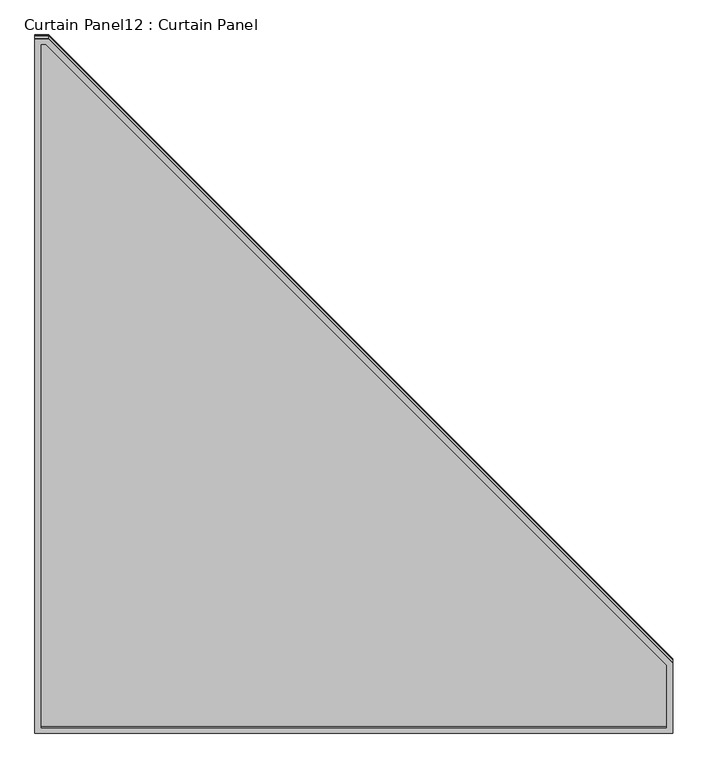
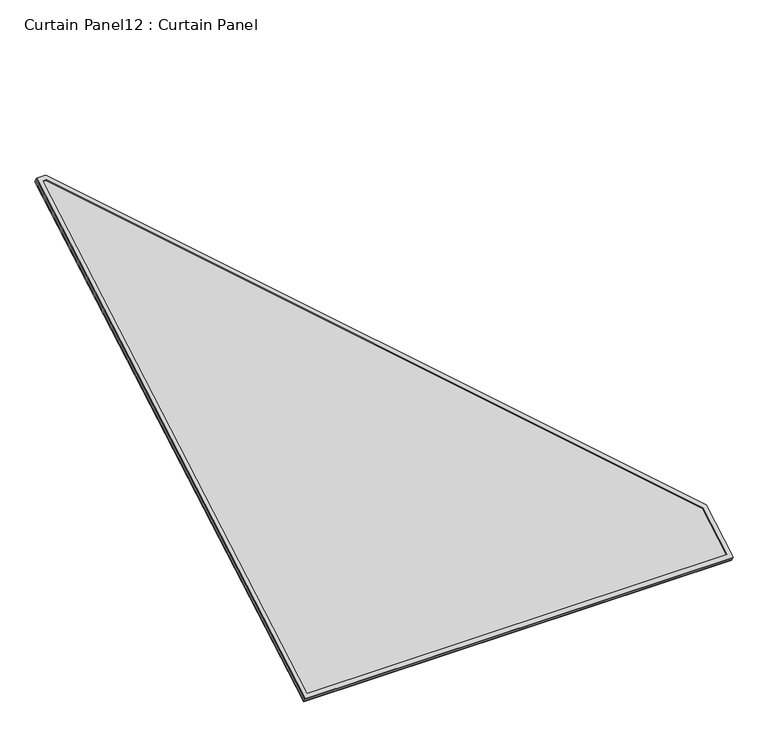
"""IFC4 building model written with IfcOpenShell, lengths in millimetres: plate geometry, Curtain Panel12 : Curtain Panel."""

from ifc_helpers import new_model, si_unit, frame, origin, place, context, project, spatial, polyline, outline, extrude, source, transform, mapped, element, save


def curtain_panel12_curtain_panel_6b2177ee(model_context):
    return source(origin(), model_context, "Body", "SweptSolid", [
        extrude(outline(polyline([(1993.5271136, -15.8877), (-15.8877, -15.8877), (-15.8877, 18.8546498), (1791.7470914, 1584.3123), (1993.5271136, 1584.3123), (1993.5271136, -15.8877)]), holes=[polyline([(1797.6704183, 1568.4246), (0.0, 11.5963501), (0.0, 0.0), (1977.6394136, 0.0), (1977.6394136, 1568.4246), (1797.6704183, 1568.4246)])]), frame((10348.9407333, -11324.2085814, 2688.7393978), z_axis=(0.0, -0.49999999999999944, 0.866025403784439), x_axis=(0.0, -0.866025403784439, -0.49999999999999944)), (0.0, 0.0, 1.0), 4.0243125),
        extrude(outline(polyline([(1998.2896137, -11.1252), (-11.1252, -11.1252), (-11.1252, 23.6171498), (1796.5095915, 1589.0748), (1998.2896137, 1589.0748), (1998.2896137, -11.1252)]), holes=[polyline([(1800.6573408, 1577.9496), (0.0, 18.5345994), (0.0, 0.0), (1987.1644137, 0.0), (1987.1644137, 1577.9496), (1800.6573408, 1577.9496)])]), frame((10344.1782333, -11310.8567916, 2675.1384196), z_axis=(0.0, -0.4999999999999995, 0.866025403784439), x_axis=(0.0, -0.866025403784439, -0.4999999999999995)), (0.0, 0.0, 1.0), 4.8617188),
        extrude(outline(polyline([(12.7, 0.0), (1612.9, 0.0), (1612.9, -2009.4148137), (1578.1576502, -2009.4148137), (12.7, -201.7800222), (12.7, 0.0)])), frame((11945.9530333, -13043.8572206, 1680.2039847), z_axis=(0.0, -0.49999999999999867, 0.8660254037844395), x_axis=(-1.0, 0.0, 0.0)), (0.0, 0.0, 1.0), 13.5929688),
    ])


if __name__ == "__main__":
    model = new_model("IFC4")
    model_context = context("Model", 3, world=origin())
    ifc_project = project(units=[si_unit("LENGTHUNIT", "METRE", prefix="MILLI")], contexts=[model_context])
    site = spatial("IfcSite", under=ifc_project)
    building = spatial("IfcBuilding", under=site)
    placement = place(None, origin())
    curtain_panel12_curtain_panel_shape = curtain_panel12_curtain_panel_6b2177ee(model_context)
    element("IfcPlate", 1, ObjectType="Curtain Panel12 : Curtain Panel", at=placement, inside=building, context=model_context, shape_type="MappedRepresentation", body=[
        mapped(curtain_panel12_curtain_panel_shape, transform((0.0, 0.0, 0.0), x_axis=(1.0, 0.0, 0.0), y_axis=(0.0, 1.0, 0.0), z_axis=(0.0, 0.0, 1.0))),
    ])
    save(model, "model.ifc")
